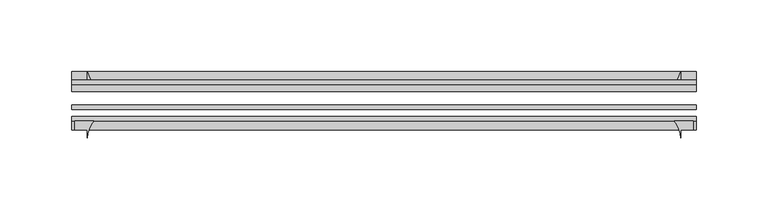
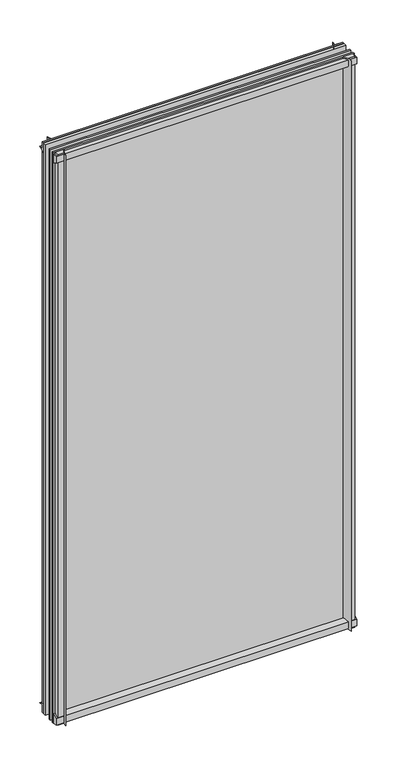
"""IFC4 building model written with IfcOpenShell, lengths in millimetres: plate geometry."""

from ifc_helpers import new_model, si_unit, point, frame, frame_2d, origin, place, context, project, spatial, polyline, circle_curve, trimmed, segment, composite_curve, outline, extrude, source, transform, mapped, element, save


def plate_fcd15079(model_context):
    return source(origin(), model_context, "Body", "SweptSolid", [
        extrude(outline(composite_curve([segment(polyline([(-42.891075, -11.1125), (-42.891075, 3.8539528)]), True, "CONTINUOUS"), segment(trimmed(circle_curve(frame_2d((-26.637892, 29.5913262)), 30.4397495), [point((-42.891075, 3.8539528))], [point((-33.7745413, 0.0))], True, "CARTESIAN"), True, "CONTINUOUS"), segment(polyline([(-33.7745413, 0.0), (-39.690675, 0.0), (-39.690675, -11.1125), (-42.891075, -11.1125)]), True, "CONTINUOUS")], self_intersect=False)), frame((-218.28125, 0.0, 0.0), z_axis=(1.0, 0.0, 0.0), x_axis=(0.0, 1.0, 0.0)), (0.0, 0.0, 1.0), 436.5625),
        extrude(outline(composite_curve([segment(trimmed(circle_curve(frame_2d((-80.4922797, 17.8701603)), 18.6769817), [point((-74.641075, 0.1333891))], [point((-68.291075, 3.72943))], True, "CARTESIAN"), True, "CONTINUOUS"), segment(polyline([(-68.291075, 3.72943), (-68.291075, -10.3251), (-74.641075, -10.3251), (-74.641075, 0.1333891)]), True, "CONTINUOUS")], self_intersect=False)), frame((-218.28125, 0.0, 0.0), z_axis=(1.0, 0.0, 0.0), x_axis=(0.0, 1.0, 0.0)), (0.0, 0.0, 1.0), 436.5625),
        extrude(outline(composite_curve([segment(polyline([(-42.891075, 850.2083472), (-42.891075, 865.1875), (-39.690675, 865.1875), (-39.690675, 854.075), (-33.721675, 854.075)]), True, "CONTINUOUS"), segment(trimmed(circle_curve(frame_2d((-26.637892, 824.4709738)), 30.4397495), [point((-33.721675, 854.075))], [point((-42.891075, 850.2083472))], True, "CARTESIAN"), True, "CONTINUOUS")], self_intersect=False)), frame((-218.28125, 0.0, 0.0), z_axis=(1.0, 0.0, 0.0), x_axis=(0.0, 1.0, 0.0)), (0.0, 0.0, 1.0), 436.5625),
        extrude(outline(composite_curve([segment(polyline([(-68.291075, 862.8126), (-68.291075, 849.53912)]), True, "CONTINUOUS"), segment(trimmed(circle_curve(frame_2d((-80.4922797, 835.3983897)), 18.6769817), [point((-68.291075, 849.53912))], [point((-74.641075, 853.1351609))], True, "CARTESIAN"), True, "CONTINUOUS"), segment(polyline([(-74.641075, 853.1351609), (-74.641075, 862.8126), (-68.291075, 862.8126)]), True, "CONTINUOUS")], self_intersect=False)), frame((-218.28125, 0.0, 0.0), z_axis=(1.0, 0.0, 0.0), x_axis=(0.0, 1.0, 0.0)), (0.0, 0.0, 1.0), 436.5625),
        extrude(outline(composite_curve([segment(polyline([(202.63287, -68.291075), (215.90635, -68.291075), (215.90635, -74.641075), (207.16875, -74.641075), (207.16875, -80.3744844)]), True, "CONTINUOUS"), segment(trimmed(circle_curve(frame_2d((188.4921397, -80.4922797)), 18.6769817), [point((207.16875, -80.3744844))], [point((202.63287, -68.291075))], True, "CARTESIAN"), True, "CONTINUOUS")], self_intersect=False)), frame((0.0, 0.0, -11.1125), z_axis=(0.0, 0.0, 1.0), x_axis=(1.0, 0.0, 0.0)), (0.0, 0.0, 1.0), 876.3),
        extrude(outline(composite_curve([segment(trimmed(circle_curve(frame_2d((177.5647238, -26.637892)), 30.4397495), [point((203.3020972, -42.891075))], [point((207.16875, -33.721675))], True, "CARTESIAN"), True, "CONTINUOUS"), segment(polyline([(207.16875, -33.721675), (207.16875, -39.690675), (218.28125, -39.690675), (218.28125, -42.891075), (203.3020972, -42.891075)]), True, "CONTINUOUS")], self_intersect=False)), frame((0.0, 0.0, -11.1125), z_axis=(0.0, 0.0, 1.0), x_axis=(1.0, 0.0, 0.0)), (0.0, 0.0, 1.0), 876.3),
        extrude(outline(composite_curve([segment(trimmed(circle_curve(frame_2d((-188.4921397, -80.4922797)), 18.6769817), [point((-202.63287, -68.291075))], [point((-207.16875, -80.3744844))], True, "CARTESIAN"), True, "CONTINUOUS"), segment(polyline([(-207.16875, -80.3744844), (-207.16875, -74.641075), (-215.90635, -74.641075), (-215.90635, -68.291075), (-202.63287, -68.291075)]), True, "CONTINUOUS")], self_intersect=False)), frame((0.0, 0.0, -11.1125), z_axis=(0.0, 0.0, 1.0), x_axis=(1.0, 0.0, 0.0)), (0.0, 0.0, 1.0), 876.3),
        extrude(outline(composite_curve([segment(polyline([(-203.3020972, -42.891075), (-218.28125, -42.891075), (-218.28125, -39.690675), (-207.16875, -39.690675), (-207.16875, -33.721675)]), True, "CONTINUOUS"), segment(trimmed(circle_curve(frame_2d((-177.5647238, -26.637892)), 30.4397495), [point((-207.16875, -33.721675))], [point((-203.3020972, -42.891075))], True, "CARTESIAN"), True, "CONTINUOUS")], self_intersect=False)), frame((0.0, 0.0, -11.1125), z_axis=(0.0, 0.0, 1.0), x_axis=(1.0, 0.0, 0.0)), (0.0, 0.0, 1.0), 876.3),
        extrude(outline(polyline([(-218.28125, -42.891075), (218.28125, -42.891075), (218.28125, -47.653575), (-218.28125, -47.653575), (-218.28125, -42.891075)])), frame((0.0, 0.0, -11.1125), z_axis=(0.0, 0.0, 1.0), x_axis=(1.0, 0.0, 0.0)), (0.0, 0.0, 1.0), 876.3),
        extrude(outline(polyline([(218.28125, -57.369075), (218.28125, -60.544075), (-218.28125, -60.544075), (-218.28125, -57.369075), (218.28125, -57.369075)])), frame((0.0, 0.0, -11.1125), z_axis=(0.0, 0.0, 1.0), x_axis=(1.0, 0.0, 0.0)), (0.0, 0.0, 1.0), 876.3),
        extrude(outline(polyline([(-218.28125, -65.116075), (218.28125, -65.116075), (218.28125, -68.291075), (-218.28125, -68.291075), (-218.28125, -65.116075)])), frame((0.0, 0.0, -11.1125), z_axis=(0.0, 0.0, 1.0), x_axis=(1.0, 0.0, 0.0)), (0.0, 0.0, 1.0), 876.3),
    ])


if __name__ == "__main__":
    model = new_model("IFC4")
    model_context = context("Model", 3, world=origin())
    ifc_project = project(units=[si_unit("LENGTHUNIT", "METRE", prefix="MILLI")], contexts=[model_context])
    site = spatial("IfcSite", under=ifc_project)
    building = spatial("IfcBuilding", under=site)
    placement = place(None, origin())
    plate_shape = plate_fcd15079(model_context)
    element("IfcPlate", 1, at=placement, inside=building, context=model_context, shape_type="MappedRepresentation", body=[
        mapped(plate_shape, transform((0.0, 0.0, 0.0), x_axis=(1.0, 0.0, 0.0), y_axis=(0.0, 1.0, 0.0), z_axis=(0.0, 0.0, 1.0))),
    ])
    save(model, "model.ifc")
